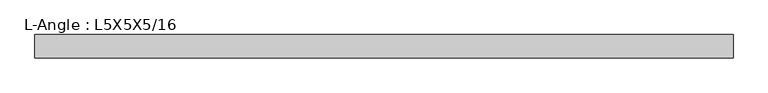
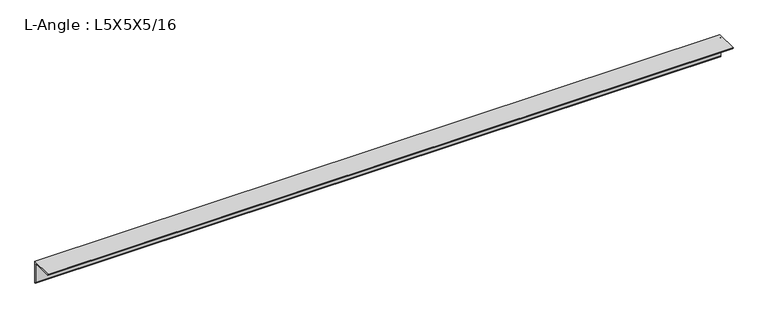
"""IFC4 building model written with IfcOpenShell, lengths in millimetres: beam geometry, L-Angle : L5X5X5/16."""

from ifc_helpers import new_model, si_unit, point, frame, frame_2d, origin, place, context, project, spatial, polyline, circle_curve, trimmed, segment, composite_curve, outline, extrude, source, transform, mapped, element, save


def l_angle_l5x5x5_16_7d464d1e(model_context):
    return source(origin(), model_context, "Body", "SweptSolid", [
        extrude(outline(composite_curve([segment(polyline([(34.3296875, 34.3296875), (34.3296875, -92.6703125)]), True, "CONTINUOUS"), segment(trimmed(circle_curve(frame_2d((34.3296875, -84.7328125)), 7.9375), [point((34.3296875, -92.6703125))], [point((26.3921875, -84.7328125))], False, "CARTESIAN"), True, "CONTINUOUS"), segment(polyline([(26.3921875, -84.7328125), (26.3921875, 18.4546875)]), True, "CONTINUOUS"), segment(trimmed(circle_curve(frame_2d((18.4546875, 18.4546875)), 7.9375), [point((26.3921875, 18.4546875))], [point((18.4546875, 26.3921875))], True, "CARTESIAN"), True, "CONTINUOUS"), segment(polyline([(18.4546875, 26.3921875), (-84.7328125, 26.3921875)]), True, "CONTINUOUS"), segment(trimmed(circle_curve(frame_2d((-84.7328125, 34.3296875)), 7.9375), [point((-84.7328125, 26.3921875))], [point((-92.6703125, 34.3296875))], False, "CARTESIAN"), True, "CONTINUOUS"), segment(polyline([(-92.6703125, 34.3296875), (34.3296875, 34.3296875)]), True, "CONTINUOUS")], self_intersect=False)), frame((-1898.253125, 0.0, 0.0), z_axis=(1.0, 0.0, 0.0), x_axis=(0.0, 1.0, 0.0)), (0.0, 0.0, 1.0), 3822.303125),
    ])


if __name__ == "__main__":
    model = new_model("IFC4")
    model_context = context("Model", 3, world=origin())
    ifc_project = project(units=[si_unit("LENGTHUNIT", "METRE", prefix="MILLI")], contexts=[model_context])
    site = spatial("IfcSite", under=ifc_project)
    building = spatial("IfcBuilding", under=site)
    placement = place(None, origin())
    l_angle_l5x5x5_16_shape = l_angle_l5x5x5_16_7d464d1e(model_context)
    element("IfcBeam", 1, ObjectType="L-Angle : L5X5X5/16", at=placement, inside=building, context=model_context, shape_type="MappedRepresentation", body=[
        mapped(l_angle_l5x5x5_16_shape, transform((0.0, 0.0, 0.0), x_axis=(1.0, 0.0, 0.0), y_axis=(0.0, 1.0, 0.0), z_axis=(0.0, 0.0, 1.0))),
    ])
    save(model, "model.ifc")
